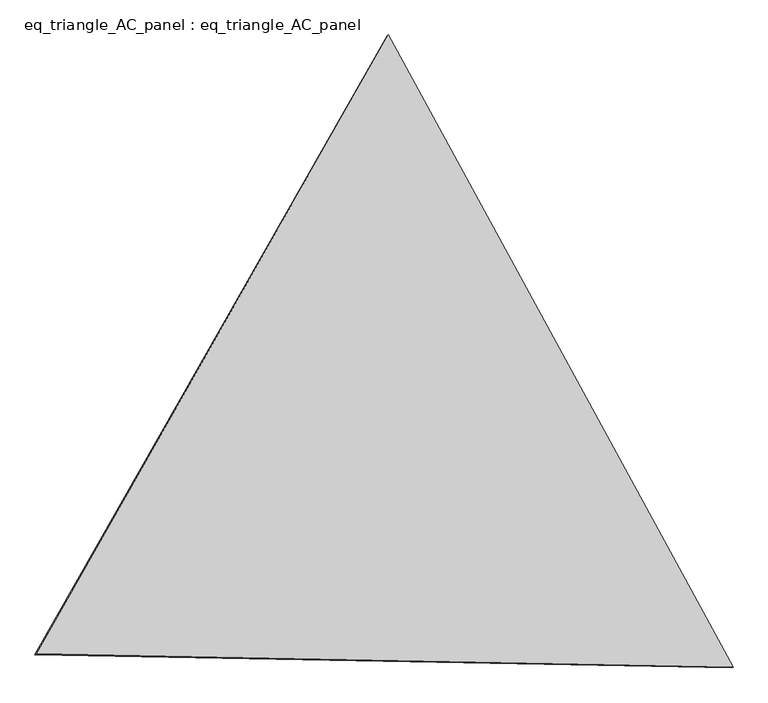
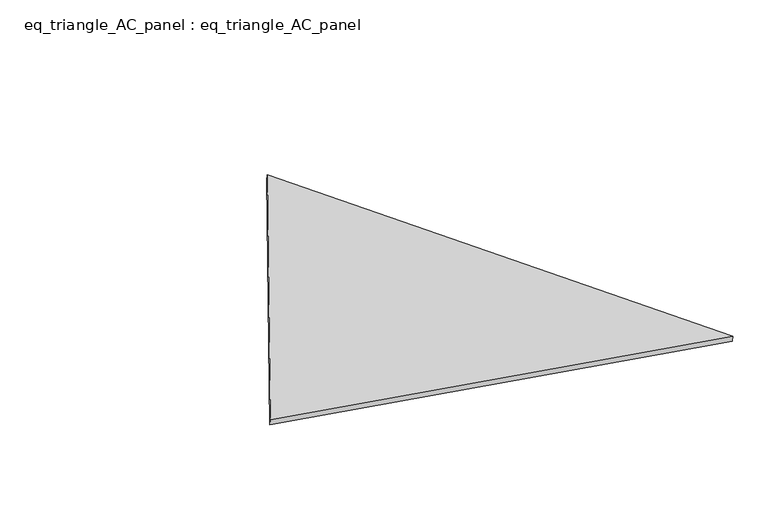
"""IFC4 building model written with IfcOpenShell, lengths in millimetres: proxy geometry, eq_triangle_AC_panel : eq_triangle_AC_panel."""

from ifc_helpers import new_model, si_unit, frame, origin, place, context, project, spatial, polyline, outline, extrude, source, transform, mapped, element, save


def eq_triangle_ac_panel_eq_triangle_ac_panel_c8fa8215(model_context):
    return source(origin(), model_context, "Body", "SweptSolid", [
        extrude(outline(polyline([(-2091.267828, 1173.1712294), (2032.847065, 1173.1712294), (58.420763, -2346.342459), (-2091.267828, 1173.1712294)])), frame((-6.3631761, 524.2531996, 46.6143561), z_axis=(0.14526328518058199, 0.08386570281802179, 0.9858321976225896), x_axis=(0.4785971192669362, -0.8780247070051718, 0.004172687128518033)), (0.0, 0.0, 1.0), 43.8306294),
    ])


if __name__ == "__main__":
    model = new_model("IFC4")
    model_context = context("Model", 3, world=origin())
    ifc_project = project(units=[si_unit("LENGTHUNIT", "METRE", prefix="MILLI")], contexts=[model_context])
    site = spatial("IfcSite", under=ifc_project)
    building = spatial("IfcBuilding", under=site)
    placement = place(None, origin())
    eq_triangle_ac_panel_eq_triangle_ac_panel_shape = eq_triangle_ac_panel_eq_triangle_ac_panel_c8fa8215(model_context)
    element("IfcBuildingElementProxy", 1, Name="eq_triangle_AC_panel : eq_triangle_AC_panel", ObjectType="eq_triangle_AC_panel : eq_triangle_AC_panel", at=placement, inside=building, context=model_context, shape_type="MappedRepresentation", body=[
        mapped(eq_triangle_ac_panel_eq_triangle_ac_panel_shape, transform((0.0, 0.0, 0.0), x_axis=(1.0, 0.0, 0.0), y_axis=(0.0, 1.0, 0.0), z_axis=(0.0, 0.0, 1.0))),
    ])
    save(model, "model.ifc")
